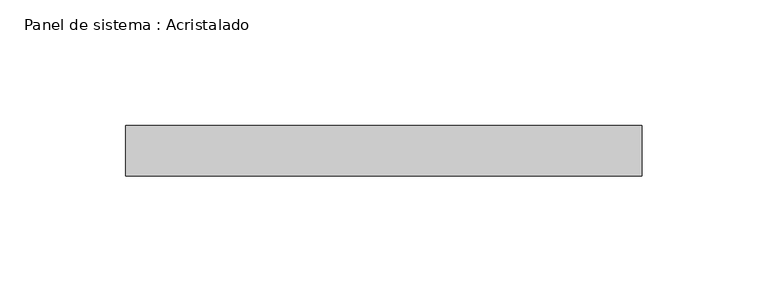
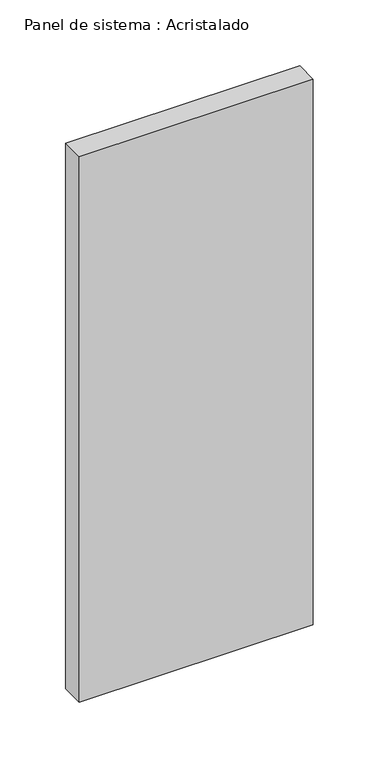
"""IFC4 building model written with IfcOpenShell, lengths in millimetres: plate geometry, Panel de sistema : Acristalado."""

from ifc_helpers import new_model, si_unit, origin, origin_with_axes, place, context, project, spatial, polyline, outline, extrude, source, transform, mapped, element, save


def panel_de_sistema_acristalado_bf568743(model_context):
    return source(origin(), model_context, "Body", "SweptSolid", [
        extrude(outline(polyline([(102.5, -10.0), (-102.5, -10.0), (-102.5, 10.0), (102.5, 10.0), (102.5, -10.0)])), origin_with_axes(), (0.0, 0.0, 1.0), 505.0),
    ])


if __name__ == "__main__":
    model = new_model("IFC4")
    model_context = context("Model", 3, world=origin())
    ifc_project = project(units=[si_unit("LENGTHUNIT", "METRE", prefix="MILLI")], contexts=[model_context])
    site = spatial("IfcSite", under=ifc_project)
    building = spatial("IfcBuilding", under=site)
    placement = place(None, origin())
    panel_de_sistema_acristalado_shape = panel_de_sistema_acristalado_bf568743(model_context)
    element("IfcPlate", 1, ObjectType="Panel de sistema : Acristalado", at=placement, inside=building, context=model_context, shape_type="MappedRepresentation", body=[
        mapped(panel_de_sistema_acristalado_shape, transform((0.0, 0.0, 0.0), x_axis=(1.0, 0.0, 0.0), y_axis=(0.0, 1.0, 0.0), z_axis=(0.0, 0.0, 1.0))),
    ])
    save(model, "model.ifc")
